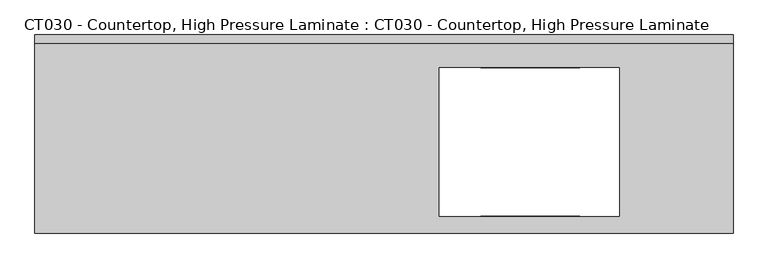
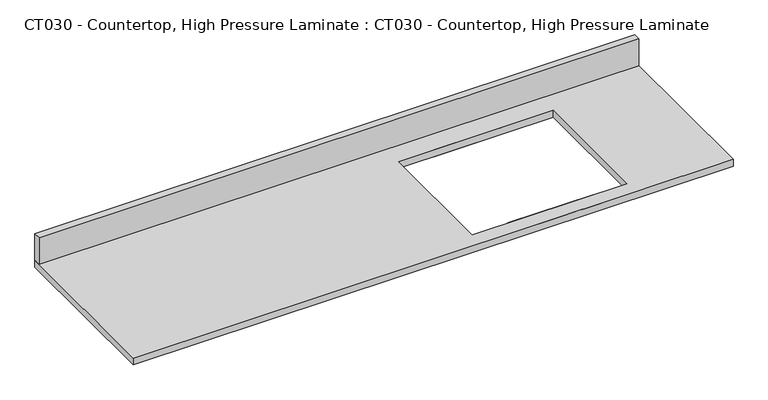
"""IFC4 building model written with IfcOpenShell, lengths in millimetres: proxy geometry, CT030 - Countertop, High Pressure Laminate : CT030 - Countertop, High Pressure Laminate."""

from ifc_helpers import new_model, si_unit, frame, origin, place, context, project, spatial, polyline, outline, extrude, source, transform, mapped, element, save


def ct030_countertop_high_pressure_laminate_ct030_countertop_c36bdb1c(model_context):
    return source(origin(), model_context, "Body", "SweptSolid", [
        extrude(outline(polyline([(623.8875, 304.8), (623.8875, -304.8), (-1524.0, -304.8), (-1524.0, 304.8), (623.8875, 304.8)]), holes=[polyline([(273.05, 203.2), (-280.66273, 203.2), (-280.66273, -253.3357585), (273.05, -253.3357585), (273.05, 203.2)])]), frame((0.0, 0.0, 838.2), z_axis=(0.0, 0.0, 1.0), x_axis=(1.0, 0.0, 0.0)), (0.0, 0.0, 1.0), 25.4),
        extrude(outline(polyline([(152.4, -304.8), (-152.4, -304.8), (-152.4, -253.3357585), (152.4, -253.3357585), (152.4, -304.8)])), frame((0.0, 0.0, 838.2), z_axis=(0.0, 0.0, 1.0), x_axis=(1.0, 0.0, 0.0)), (0.0, 0.0, 1.0), 25.4),
        extrude(outline(polyline([(-152.4, 304.8), (152.4, 304.8), (152.4, 203.2), (-152.4, 203.2), (-152.4, 304.8)])), frame((0.0, 0.0, 838.2), z_axis=(0.0, 0.0, 1.0), x_axis=(1.0, 0.0, 0.0)), (0.0, 0.0, 1.0), 25.4),
        extrude(outline(polyline([(-1524.0, 279.4), (-1524.0, 304.8), (623.8875, 304.8), (623.8875, 279.4), (-1524.0, 279.4)])), frame((0.0, 0.0, 863.6), z_axis=(0.0, 0.0, 1.0), x_axis=(1.0, 0.0, 0.0)), (0.0, 0.0, 1.0), 101.6),
    ])


if __name__ == "__main__":
    model = new_model("IFC4")
    model_context = context("Model", 3, world=origin())
    ifc_project = project(units=[si_unit("LENGTHUNIT", "METRE", prefix="MILLI")], contexts=[model_context])
    site = spatial("IfcSite", under=ifc_project)
    building = spatial("IfcBuilding", under=site)
    placement = place(None, origin())
    ct030_countertop_high_pressure_laminate_ct030_countertop_shape = ct030_countertop_high_pressure_laminate_ct030_countertop_c36bdb1c(model_context)
    element("IfcBuildingElementProxy", 1, Name="CT030 - Countertop, High Pressure Laminate : CT030 - Countertop, High Pressure Laminate", ObjectType="CT030 - Countertop, High Pressure Laminate : CT030 - Countertop, High Pressure Laminate", at=placement, inside=building, context=model_context, shape_type="MappedRepresentation", body=[
        mapped(ct030_countertop_high_pressure_laminate_ct030_countertop_shape, transform((0.0, 0.0, 0.0), x_axis=(1.0, 0.0, 0.0), y_axis=(0.0, 1.0, 0.0), z_axis=(0.0, 0.0, 1.0))),
    ])
    save(model, "model.ifc")
